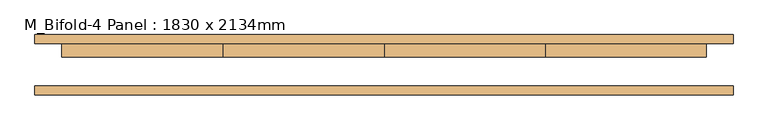
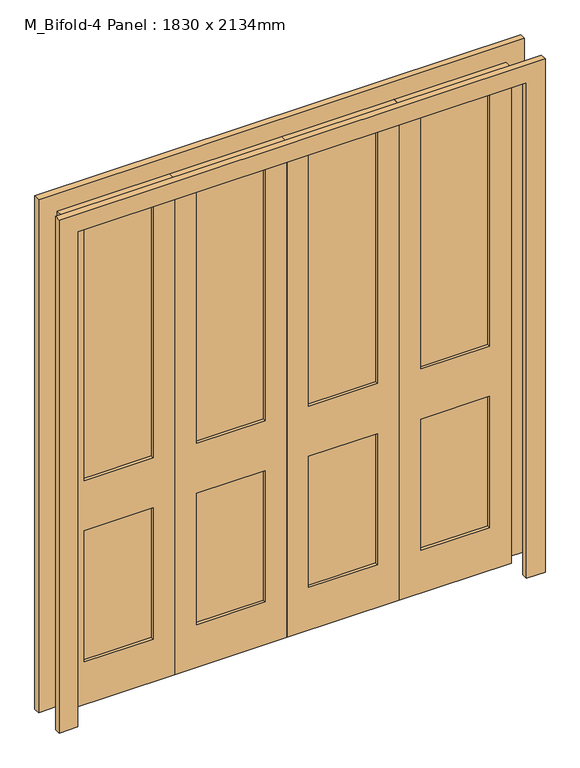
"""IFC4 building model written with IfcOpenShell, lengths in millimetres: door geometry, M_Bifold-4 Panel : 1830 x 2134mm."""

from ifc_helpers import new_model, si_unit, frame, origin, place, context, project, spatial, polyline, outline, extrude, source, transform, mapped, element, save


def m_bifold_4_panel_1830_x_2134mm_64bbdad6(model_context):
    return source(origin(), model_context, "Body", "SweptSolid", [
        extrude(outline(polyline([(546.4, 47.3), (826.1, 47.3), (826.1, 34.6), (546.4, 34.6), (546.4, 47.3)])), frame((0.0, 0.0, 965.2), z_axis=(0.0, 0.0, 1.0), x_axis=(1.0, 0.0, 0.0)), (0.0, 0.0, 1.0), 1086.25),
        extrude(outline(polyline([(546.4, 47.3), (826.1, 47.3), (826.1, 34.6), (546.4, 34.6), (546.4, 47.3)])), frame((0.0, 0.0, 184.15), z_axis=(0.0, 0.0, 1.0), x_axis=(1.0, 0.0, 0.0)), (0.0, 0.0, 1.0), 565.15),
        extrude(outline(polyline([(88.9, 47.3), (368.6, 47.3), (368.6, 34.6), (88.9, 34.6), (88.9, 47.3)])), frame((0.0, 0.0, 965.2), z_axis=(0.0, 0.0, 1.0), x_axis=(1.0, 0.0, 0.0)), (0.0, 0.0, 1.0), 1086.25),
        extrude(outline(polyline([(88.9, 47.3), (368.6, 47.3), (368.6, 34.6), (88.9, 34.6), (88.9, 47.3)])), frame((0.0, 0.0, 184.15), z_axis=(0.0, 0.0, 1.0), x_axis=(1.0, 0.0, 0.0)), (0.0, 0.0, 1.0), 565.15),
        extrude(outline(polyline([(-368.6, 47.3), (-88.9, 47.3), (-88.9, 34.6), (-368.6, 34.6), (-368.6, 47.3)])), frame((0.0, 0.0, 184.15), z_axis=(0.0, 0.0, 1.0), x_axis=(1.0, 0.0, 0.0)), (0.0, 0.0, 1.0), 565.15),
        extrude(outline(polyline([(-368.6, 47.3), (-88.9, 47.3), (-88.9, 34.6), (-368.6, 34.6), (-368.6, 47.3)])), frame((0.0, 0.0, 965.2), z_axis=(0.0, 0.0, 1.0), x_axis=(1.0, 0.0, 0.0)), (0.0, 0.0, 1.0), 1086.25),
        extrude(outline(polyline([(-826.1, 47.3), (-546.4, 47.3), (-546.4, 34.6), (-826.1, 34.6), (-826.1, 47.3)])), frame((0.0, 0.0, 965.2), z_axis=(0.0, 0.0, 1.0), x_axis=(1.0, 0.0, 0.0)), (0.0, 0.0, 1.0), 1086.25),
        extrude(outline(polyline([(-826.1, 47.3), (-546.4, 47.3), (-546.4, 34.6), (-826.1, 34.6), (-826.1, 47.3)])), frame((0.0, 0.0, 184.15), z_axis=(0.0, 0.0, 1.0), x_axis=(1.0, 0.0, 0.0)), (0.0, 0.0, 1.0), 565.15),
        extrude(outline(polyline([(0.0, 991.0), (2210.0, 991.0), (2210.0, -991.0), (0.0, -991.0), (0.0, -915.0), (2134.0, -915.0), (2134.0, 915.0), (0.0, 915.0), (0.0, 991.0)])), frame((0.0, -85.4, 0.0), z_axis=(0.0, 1.0, 0.0), x_axis=(0.0, 0.0, 1.0)), (0.0, 0.0, 1.0), 25.4),
        extrude(outline(polyline([(0.0, 991.0), (2210.0, 991.0), (2210.0, -991.0), (0.0, -991.0), (0.0, -915.0), (2134.0, -915.0), (2134.0, 915.0), (0.0, 915.0), (0.0, 991.0)])), frame((0.0, 60.0, 0.0), z_axis=(0.0, 1.0, 0.0), x_axis=(0.0, 0.0, 1.0)), (0.0, 0.0, 1.0), 25.4),
        extrude(outline(polyline([(0.0, -915.0), (0.0, -457.5), (2134.0, -457.5), (2134.0, -915.0), (0.0, -915.0)]), holes=[polyline([(2051.45, -826.1), (2051.45, -546.4), (965.2, -546.4), (965.2, -826.1), (2051.45, -826.1)]), polyline([(749.3, -826.1), (749.3, -546.4), (184.15, -546.4), (184.15, -826.1), (749.3, -826.1)])]), frame((0.0, 21.9, 0.0), z_axis=(0.0, 1.0, 0.0), x_axis=(0.0, 0.0, 1.0)), (0.0, 0.0, 1.0), 38.1),
        extrude(outline(polyline([(0.0, -457.5), (0.0, 0.0), (2134.0, 0.0), (2134.0, -457.5), (0.0, -457.5)]), holes=[polyline([(2051.45, -368.6), (2051.45, -88.9), (965.2, -88.9), (965.2, -368.6), (2051.45, -368.6)]), polyline([(749.3, -368.6), (749.3, -88.9), (184.15, -88.9), (184.15, -368.6), (749.3, -368.6)])]), frame((0.0, 21.9, 0.0), z_axis=(0.0, 1.0, 0.0), x_axis=(0.0, 0.0, 1.0)), (0.0, 0.0, 1.0), 38.1),
        extrude(outline(polyline([(0.0, 0.0), (0.0, 457.5), (2134.0, 457.5), (2134.0, 0.0), (0.0, 0.0)]), holes=[polyline([(2051.45, 88.9), (2051.45, 368.6), (965.2, 368.6), (965.2, 88.9), (2051.45, 88.9)]), polyline([(749.3, 88.9), (749.3, 368.6), (184.15, 368.6), (184.15, 88.9), (749.3, 88.9)])]), frame((0.0, 21.9, 0.0), z_axis=(0.0, 1.0, 0.0), x_axis=(0.0, 0.0, 1.0)), (0.0, 0.0, 1.0), 38.1),
        extrude(outline(polyline([(0.0, 457.5), (0.0, 915.0), (2134.0, 915.0), (2134.0, 457.5), (0.0, 457.5)]), holes=[polyline([(2051.45, 546.4), (2051.45, 826.1), (965.2, 826.1), (965.2, 546.4), (2051.45, 546.4)]), polyline([(749.3, 546.4), (749.3, 826.1), (184.15, 826.1), (184.15, 546.4), (749.3, 546.4)])]), frame((0.0, 21.9, 0.0), z_axis=(0.0, 1.0, 0.0), x_axis=(0.0, 0.0, 1.0)), (0.0, 0.0, 1.0), 38.1),
    ])


if __name__ == "__main__":
    model = new_model("IFC4")
    model_context = context("Model", 3, world=origin())
    ifc_project = project(units=[si_unit("LENGTHUNIT", "METRE", prefix="MILLI")], contexts=[model_context])
    site = spatial("IfcSite", under=ifc_project)
    building = spatial("IfcBuilding", under=site)
    placement = place(None, origin())
    m_bifold_4_panel_1830_x_2134mm_shape = m_bifold_4_panel_1830_x_2134mm_64bbdad6(model_context)
    element("IfcDoor", 1, ObjectType="M_Bifold-4 Panel : 1830 x 2134mm", at=placement, inside=building, context=model_context, shape_type="MappedRepresentation", body=[
        mapped(m_bifold_4_panel_1830_x_2134mm_shape, transform((0.0, 0.0, 0.0), x_axis=(1.0, 0.0, 0.0), y_axis=(0.0, 1.0, 0.0), z_axis=(0.0, 0.0, 1.0))),
    ])
    save(model, "model.ifc")
